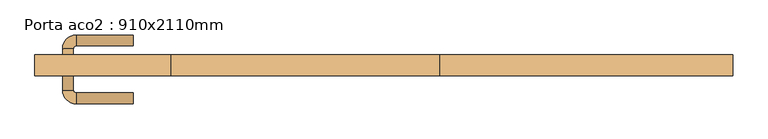
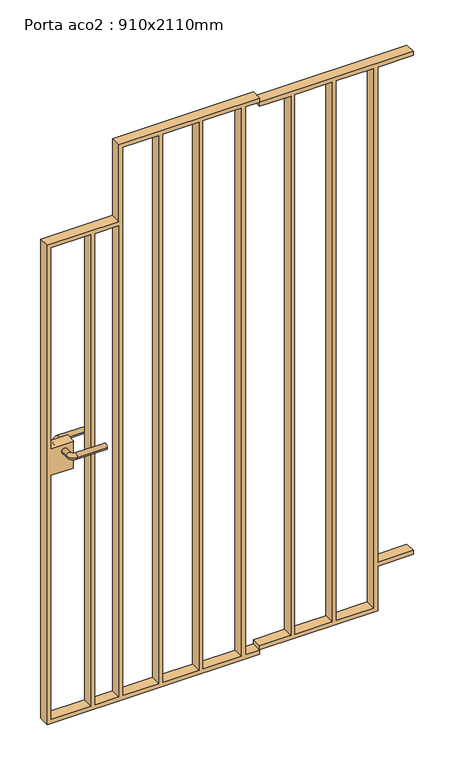
"""IFC4 building model written with IfcOpenShell, lengths in millimetres: door geometry, Porta aco2 : 910x2110mm."""

from ifc_helpers import new_model, si_unit, point, frame, origin, place, context, project, spatial, polyline, circle_curve, ellipse_curve, trimmed, outline, extrude, source, transform, mapped, element, save
from ifc_brep_helpers import plane_surface, cylinder_surface, revolved_surface, advanced_brep


def porta_aco2_910x2110mm_7836b38a(model_context):
    return source(origin(), model_context, "Body", "SolidModel", [
        advanced_brep(
        [(-295.0, 116.8212666, 1000.0), (-275.0, 116.8212666, 1000.0), (-295.0, 146.8212666, 1000.0), (-275.0, 146.8212666, 1000.0), (-270.0, 151.8212666, 1000.0), (-270.0, 171.8212666, 1000.0), (-165.0, 171.8212666, 1000.0), (-165.0, 151.8212666, 1000.0)],
        [
            (0, 1, circle_curve(frame((-285.0, 116.8212666, 1000.0), z_axis=(0.0, -1.0, 0.0), x_axis=(1.0, 0.0, 0.0)), 10.0)),
            (1, 0, circle_curve(frame((-285.0, 116.8212666, 1000.0), z_axis=(0.0, -1.0, 0.0), x_axis=(1.0, 0.0, 0.0)), 10.0)),
            (0, 2),
            (2, 3, circle_curve(frame((-285.0, 146.8212666, 1000.0), z_axis=(0.0, -1.0, 0.0), x_axis=(1.0, 0.0, 0.0)), 10.0)),
            (3, 1),
            (3, 2, circle_curve(frame((-285.0, 146.8212666, 1000.0), z_axis=(0.0, -1.0, 0.0), x_axis=(1.0, 0.0, 0.0)), 10.0)),
            (4, 3, circle_curve(frame((-270.0, 146.8212666, 1000.0), z_axis=(0.0, 0.0, 1.0), x_axis=(-1.0, 0.0, 0.0)), 5.0)),
            (2, 5, circle_curve(frame((-270.0, 146.8212666, 1000.0), z_axis=(0.0, 0.0, -1.0), x_axis=(-1.0, 0.0, 0.0)), 25.0)),
            (5, 4, circle_curve(frame((-270.0, 161.8212666, 1000.0), z_axis=(-1.0, 0.0, 0.0), x_axis=(0.0, -1.0, 0.0)), 10.0)),
            (4, 5, circle_curve(frame((-270.0, 161.8212666, 1000.0), z_axis=(-1.0, 0.0, 0.0), x_axis=(0.0, -1.0, 0.0)), 10.0)),
            (6, 7, circle_curve(frame((-165.0, 161.8212666, 1000.0), z_axis=(1.0, 0.0, 0.0), x_axis=(0.0, -1.0, 0.0)), 10.0)),
            (7, 6, circle_curve(frame((-165.0, 161.8212666, 1000.0), z_axis=(1.0, 0.0, 0.0), x_axis=(0.0, -1.0, 0.0)), 10.0)),
            (5, 6),
            (7, 4),
        ],
        [
            plane_surface(frame((-285.0, 116.8212666, 1000.0), z_axis=(0.0, -1.0, 0.0), x_axis=(0.0, 0.0, 1.0))),
            cylinder_surface(frame((-285.0, 116.8212666, 1000.0), z_axis=(0.0, -1.0, 0.0), x_axis=(1.0, 0.0, 0.0)), 10.0),
            revolved_surface(trimmed(ellipse_curve(frame((-285.0, 146.8212666, 1000.0), z_axis=(0.0, -1.0, 0.0), x_axis=(1.0, 0.0, 0.0)), 10.0, 10.0), [point((-295.0, 146.8212666, 1000.0))], [point((-275.0, 146.8212666, 1000.0))], True, "CARTESIAN"), (-270.0, 146.8212666, 1000.0), (0.0, 0.0, -1.0)),
            revolved_surface(trimmed(ellipse_curve(frame((-285.0, 146.8212666, 1000.0), z_axis=(0.0, -1.0, 0.0), x_axis=(1.0, 0.0, 0.0)), 10.0, 10.0), [point((-275.0, 146.8212666, 1000.0))], [point((-295.0, 146.8212666, 1000.0))], True, "CARTESIAN"), (-270.0, 146.8212666, 1000.0), (0.0, 0.0, -1.0)),
            plane_surface(frame((-165.0, 161.8212666, 1000.0), z_axis=(1.0, 0.0, 0.0), x_axis=(0.0, 0.0, 1.0))),
            cylinder_surface(frame((-270.0, 161.8212666, 1000.0), z_axis=(-1.0, 0.0, 0.0), x_axis=(0.0, -1.0, 0.0)), 10.0),
        ],
        [
            (0, [[1, 2]]),
            (1, [[-1, 3, 4, 5]]),
            (1, [[-2, -5, 6, -3]]),
            (2, [[7, -4, 8, 9]]),
            (3, [[-8, -6, -7, 10]]),
            (4, [[11, 12]]),
            (5, [[-9, 13, -12, 14]]),
            (5, [[-10, -14, -11, -13]]),
        ],
    ),
        advanced_brep(
        [(-295.0, 100.1787334, 1000.0), (-275.0, 100.1787334, 1000.0), (-275.0, 70.1787334, 1000.0), (-295.0, 70.1787334, 1000.0), (-270.0, 65.1787334, 1000.0), (-270.0, 45.1787334, 1000.0), (-165.0, 45.1787334, 1000.0), (-165.0, 65.1787334, 1000.0)],
        [
            (0, 1, circle_curve(frame((-285.0, 100.1787334, 1000.0), z_axis=(0.0, 1.0, 0.0), x_axis=(1.0, 0.0, 0.0)), 10.0)),
            (1, 0, circle_curve(frame((-285.0, 100.1787334, 1000.0), z_axis=(0.0, 1.0, 0.0), x_axis=(1.0, 0.0, 0.0)), 10.0)),
            (1, 2),
            (2, 3, circle_curve(frame((-285.0, 70.1787334, 1000.0), z_axis=(0.0, 1.0, 0.0), x_axis=(1.0, 0.0, 0.0)), 10.0)),
            (3, 0),
            (3, 2, circle_curve(frame((-285.0, 70.1787334, 1000.0), z_axis=(0.0, 1.0, 0.0), x_axis=(1.0, 0.0, 0.0)), 10.0)),
            (4, 5, circle_curve(frame((-270.0, 55.1787334, 1000.0), z_axis=(-1.0, 0.0, 0.0), x_axis=(0.0, 1.0, 0.0)), 10.0)),
            (5, 3, circle_curve(frame((-270.0, 70.1787334, 1000.0), z_axis=(0.0, 0.0, -1.0), x_axis=(-1.0, 0.0, 0.0)), 25.0)),
            (2, 4, circle_curve(frame((-270.0, 70.1787334, 1000.0), z_axis=(0.0, 0.0, 1.0), x_axis=(-1.0, 0.0, 0.0)), 5.0)),
            (5, 4, circle_curve(frame((-270.0, 55.1787334, 1000.0), z_axis=(-1.0, 0.0, 0.0), x_axis=(0.0, 1.0, 0.0)), 10.0)),
            (6, 7, circle_curve(frame((-165.0, 55.1787334, 1000.0), z_axis=(1.0, 0.0, 0.0), x_axis=(0.0, 1.0, 0.0)), 10.0)),
            (7, 6, circle_curve(frame((-165.0, 55.1787334, 1000.0), z_axis=(1.0, 0.0, 0.0), x_axis=(0.0, 1.0, 0.0)), 10.0)),
            (4, 7),
            (6, 5),
        ],
        [
            plane_surface(frame((-285.0, 100.1787334, 1000.0), z_axis=(0.0, 1.0, 0.0), x_axis=(0.0, 0.0, 1.0))),
            cylinder_surface(frame((-285.0, 100.1787334, 1000.0), z_axis=(0.0, 1.0, 0.0), x_axis=(1.0, 0.0, 0.0)), 10.0),
            revolved_surface(trimmed(ellipse_curve(frame((-285.0, 70.1787334, 1000.0), z_axis=(0.0, -1.0, 0.0), x_axis=(1.0, 0.0, 0.0)), 10.0, 10.0), [point((-295.0, 70.1787334, 1000.0))], [point((-275.0, 70.1787334, 1000.0))], True, "CARTESIAN"), (-270.0, 70.1787334, 1000.0), (0.0, 0.0, -1.0)),
            revolved_surface(trimmed(ellipse_curve(frame((-285.0, 70.1787334, 1000.0), z_axis=(0.0, -1.0, 0.0), x_axis=(1.0, 0.0, 0.0)), 10.0, 10.0), [point((-275.0, 70.1787334, 1000.0))], [point((-295.0, 70.1787334, 1000.0))], True, "CARTESIAN"), (-270.0, 70.1787334, 1000.0), (0.0, 0.0, -1.0)),
            plane_surface(frame((-165.0, 55.1787334, 1000.0), z_axis=(1.0, 0.0, 0.0), x_axis=(0.0, 0.0, 1.0))),
            cylinder_surface(frame((-270.0, 55.1787334, 1000.0), z_axis=(-1.0, 0.0, 0.0), x_axis=(0.0, 1.0, 0.0)), 10.0),
        ],
        [
            (0, [[1, 2]]),
            (1, [[3, 4, 5, -2]]),
            (1, [[-5, 6, -3, -1]]),
            (2, [[7, 8, -4, 9]]),
            (3, [[10, -9, -6, -8]]),
            (4, [[11, 12]]),
            (5, [[13, -11, 14, -7]]),
            (5, [[-14, -12, -13, -10]]),
        ],
    ),
        extrude(outline(polyline([(2068.0, -95.0), (1783.0, -95.0), (1783.0, -346.0), (5.0, -346.0), (5.0, 400.0), (20.0, 400.0), (20.0, 350.0), (2053.0, 350.0), (2053.0, 400.0), (2068.0, 400.0), (2068.0, -95.0)]), holes=[polyline([(20.0, -331.0), (924.0, -331.0), (924.0, -252.754), (1024.0, -252.754), (1024.0, -331.0), (1768.0, -331.0), (1768.0, -193.0), (20.0, -193.0), (20.0, -331.0)]), polyline([(20.0, -178.0), (1768.0, -178.0), (1768.0, -95.0), (20.0, -95.0), (20.0, -178.0)]), polyline([(20.0, -80.0), (2053.0, -80.0), (2053.0, 46.0), (20.0, 46.0), (20.0, -80.0)]), polyline([(20.0, 61.0), (2053.0, 61.0), (2053.0, 187.0), (20.0, 187.0), (20.0, 61.0)]), polyline([(20.0, 335.0), (20.0, 202.0), (2053.0, 202.0), (2053.0, 335.0), (20.0, 335.0)])]), frame((0.0, 97.0, 0.0), z_axis=(0.0, 1.0, 0.0), x_axis=(0.0, 0.0, 1.0)), (0.0, 0.0, 1.0), 38.0),
        extrude(outline(polyline([(2037.0289143, 510.0), (35.9710857, 510.0), (35.9710857, 400.0), (20.9710857, 400.0), (20.9710857, 815.0), (185.9710857, 815.0), (185.9710857, 940.0), (200.9710857, 940.0), (200.9710857, 815.0), (2037.0289143, 815.0), (2037.0289143, 940.0), (2052.0289143, 940.0), (2052.0289143, 400.0), (2037.0289143, 400.0), (2037.0289143, 510.0)]), holes=[polyline([(35.9710857, 655.0), (35.9710857, 525.0), (2037.0289143, 525.0), (2037.0289143, 655.0), (35.9710857, 655.0)]), polyline([(35.9710857, 670.0), (2037.0289143, 670.0), (2037.0289143, 800.0), (35.9710857, 800.0), (35.9710857, 670.0)])]), frame((0.0, 97.0, 0.0), z_axis=(0.0, 1.0, 0.0), x_axis=(0.0, 0.0, 1.0)), (0.0, 0.0, 1.0), 38.0),
    ])


if __name__ == "__main__":
    model = new_model("IFC4")
    model_context = context("Model", 3, world=origin())
    ifc_project = project(units=[si_unit("LENGTHUNIT", "METRE", prefix="MILLI")], contexts=[model_context])
    site = spatial("IfcSite", under=ifc_project)
    building = spatial("IfcBuilding", under=site)
    placement = place(None, origin())
    porta_aco2_910x2110mm_shape = porta_aco2_910x2110mm_7836b38a(model_context)
    element("IfcDoor", 1, ObjectType="Porta aco2 : 910x2110mm", at=placement, inside=building, context=model_context, shape_type="MappedRepresentation", body=[
        mapped(porta_aco2_910x2110mm_shape, transform((0.0, 0.0, 0.0), x_axis=(1.0, 0.0, 0.0), y_axis=(0.0, 1.0, 0.0), z_axis=(0.0, 0.0, 1.0))),
    ])
    save(model, "model.ifc")
